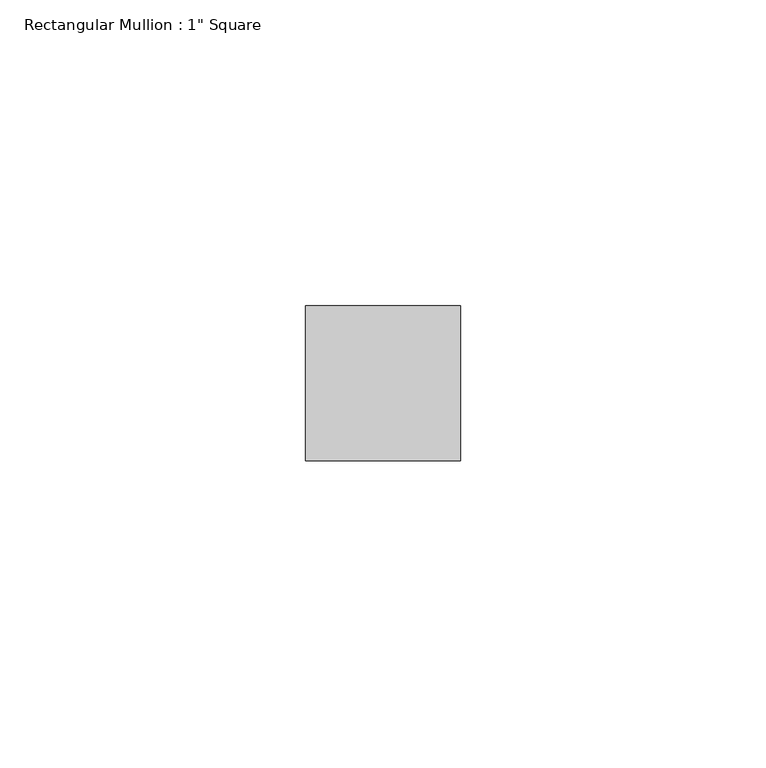
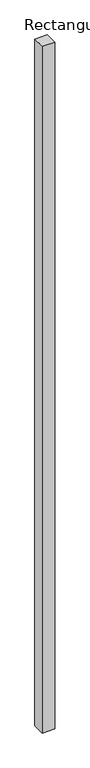
"""IFC4 building model written with IfcOpenShell, lengths in millimetres: member geometry."""

from ifc_helpers import new_model, si_unit, frame, origin, place, context, project, spatial, polyline, outline, extrude, source, transform, mapped, element, save


def member_fa633332(model_context):
    return source(origin(), model_context, "Body", "SweptSolid", [
        extrude(outline(polyline([(12.7, 12.7), (12.7, -12.7), (-12.7, -12.7), (-12.7, 12.7), (12.7, 12.7)])), frame((0.0, 0.0, -1466.8499998), z_axis=(0.0, 0.0, 1.0), x_axis=(1.0, 0.0, 0.0)), (0.0, 0.0, 1.0), 1466.8499998),
    ])


if __name__ == "__main__":
    model = new_model("IFC4")
    model_context = context("Model", 3, world=origin())
    ifc_project = project(units=[si_unit("LENGTHUNIT", "METRE", prefix="MILLI")], contexts=[model_context])
    site = spatial("IfcSite", under=ifc_project)
    building = spatial("IfcBuilding", under=site)
    placement = place(None, origin())
    member_shape = member_fa633332(model_context)
    element("IfcMember", 1, ObjectType="Rectangular Mullion : 1\" Square", at=placement, inside=building, context=model_context, shape_type="MappedRepresentation", body=[
        mapped(member_shape, transform((0.0, 0.0, 0.0), x_axis=(1.0, 0.0, 0.0), y_axis=(0.0, 1.0, 0.0), z_axis=(0.0, 0.0, 1.0))),
    ])
    save(model, "model.ifc")
